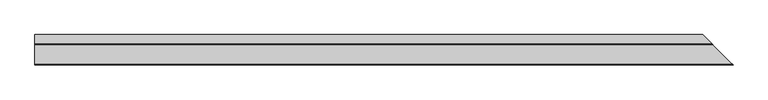
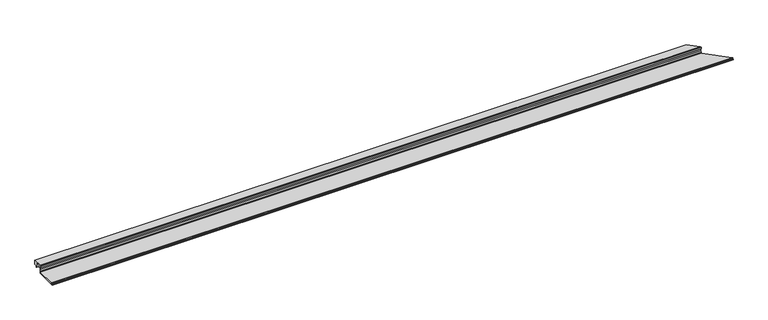
"""IFC4 building model written with IfcOpenShell, lengths in millimetres: proxy geometry."""

from ifc_helpers import new_model, si_unit, frame, origin, place, context, project, spatial, polyline, circle_curve, ellipse_curve, faceted_brep, source, transform, mapped, element, save
from ifc_brep_helpers import plane_surface, cylinder_surface, revolved_surface, advanced_brep


def specialty_equipment_78b1ac0e(model_context):
    return source(origin(), model_context, "Body", "SolidModel", [
        faceted_brep([(0.0, 165.632524, 63.5), (0.0, 235.482524, 63.5), (0.0, 235.482524, 31.75), (0.0, 215.241899, 31.75), (0.0, 215.241899, 19.05), (0.0, 212.9598677, 19.05), (0.0, 212.9598677, 61.1898306), (0.0, 175.284524, 61.1898306), (0.0, 175.284524, 44.45), (0.0, 165.632524, 44.45), (5153.2319168, 235.482524, 63.5), (5223.0819168, 165.632524, 63.5), (5223.0819168, 165.632524, 44.45), (5213.4299168, 175.284524, 44.45), (5213.4299168, 175.284524, 61.1898306), (5175.7545731, 212.9598677, 61.1898306), (5175.7545731, 212.9598677, 19.05), (5173.4725418, 215.241899, 19.05), (5173.4725418, 215.241899, 31.75), (5153.2319168, 235.482524, 31.75)], [[[0, 1, 2, 3, 4, 5, 6, 7, 8, 9]], [[10, 11, 12, 13, 14, 15, 16, 17, 18, 19]], [[10, 1, 0, 11]], [[11, 0, 9, 12]], [[12, 9, 8, 13]], [[13, 8, 7, 14]], [[14, 7, 6, 15]], [[15, 6, 5, 16]], [[16, 5, 4, 17]], [[17, 4, 3, 18]], [[18, 3, 2, 19]], [[1, 10, 19, 2]]]),
        advanced_brep(
        [(0.0, 165.632524, 0.0), (0.0, 0.0, 0.0), (0.0, 0.0, 1.651), (0.0, 8.368424, 1.7970714), (0.0, 8.368424, 9.7466904), (0.0, 7.805541, 10.3095735), (0.0, 1.0402986, 10.3095735), (0.0, 0.5832573, 11.0269846), (0.0, 2.843924, 15.875), (0.0, 5.206124, 15.875), (0.0, 5.206124, 12.7), (0.0, 159.282524, 12.7), (0.0, 159.282524, 19.05), (0.0, 163.346524, 31.75), (0.0, 163.346524, 46.0298451), (0.0, 158.495124, 48.3942822), (0.0, 158.495124, 63.5), (0.0, 165.632524, 63.5), (5388.7144408, 0.0, 0.0), (5223.0819168, 165.632524, 0.0), (5223.0819168, 165.632524, 63.5), (5230.2193168, 158.495124, 63.5), (5230.2193168, 158.495124, 48.3942822), (5225.3679168, 163.346524, 46.0298451), (5225.3679168, 163.346524, 31.75), (5229.4319168, 159.282524, 19.05), (5229.4319168, 159.282524, 12.7), (5383.5083168, 5.206124, 12.7), (5383.5083168, 5.206124, 15.875), (5385.8705168, 2.843924, 15.875), (5388.1311835, 0.5832573, 11.0269846), (5387.6741422, 1.0402986, 10.3095735), (5380.9088998, 7.805541, 10.3095735), (5380.3460168, 8.368424, 9.7466904), (5380.3460168, 8.368424, 1.7970714), (5388.7144408, 0.0, 1.651)],
        [
            (0, 1),
            (1, 2),
            (2, 3),
            (3, 4),
            (4, 5, circle_curve(frame((0.0, 7.805541, 9.7466904), z_axis=(1.0, 0.0, 0.0), x_axis=(0.0, 1.0, 0.0)), 0.562883)),
            (5, 6),
            (6, 7, circle_curve(frame((0.0, 1.0402986, 10.8138628), z_axis=(-1.0, 0.0, 0.0), x_axis=(0.0, 1.0, 0.0)), 0.5042893)),
            (7, 8),
            (8, 9),
            (9, 10),
            (10, 11),
            (11, 12),
            (12, 13),
            (13, 14),
            (14, 15),
            (15, 16),
            (16, 17),
            (17, 0),
            (18, 19),
            (19, 20),
            (20, 21),
            (21, 22),
            (22, 23),
            (23, 24),
            (24, 25),
            (25, 26),
            (26, 27),
            (27, 28),
            (28, 29),
            (29, 30),
            (30, 31, ellipse_curve(frame((5387.6741422, 1.0402986, 10.8138628), z_axis=(0.7071067811865488, 0.7071067811865464, 0.0), x_axis=(-0.7071067811865461, 0.7071067811865488, 0.0)), 0.7131728, 0.5042893)),
            (31, 32),
            (32, 33, ellipse_curve(frame((5380.9088998, 7.805541, 9.7466904), z_axis=(-0.7071067811865488, -0.7071067811865464, 0.0), x_axis=(0.7071067811865461, -0.7071067811865488, 0.0)), 0.7960368, 0.562883)),
            (33, 34),
            (34, 35),
            (35, 18),
            (0, 19),
            (18, 1),
            (35, 2),
            (34, 3),
            (33, 4),
            (32, 5),
            (31, 6),
            (30, 7),
            (29, 8),
            (28, 9),
            (27, 10),
            (26, 11),
            (25, 12),
            (24, 13),
            (23, 14),
            (22, 15),
            (21, 16),
            (20, 17),
        ],
        [
            plane_surface(frame((0.0, 0.0, 304.8), z_axis=(-1.0, 0.0, 0.0), x_axis=(0.0, 0.0, -1.0))),
            plane_surface(frame((4880.7144408, 508.0, 304.8), z_axis=(0.7071067811865488, 0.7071067811865464, 0.0), x_axis=(0.0, 0.0, -1.0))),
            plane_surface(frame((-406.4, 165.632524, 0.0), z_axis=(0.0, 0.0, -1.0), x_axis=(1.0, 0.0, 0.0))),
            plane_surface(frame((-406.4, 0.0, 0.0), z_axis=(0.0, -1.0, 0.0), x_axis=(1.0, 0.0, 0.0))),
            plane_surface(frame((-406.4, 0.0, 1.651), z_axis=(0.0, -0.01745240643728535, 0.9998476951563913), x_axis=(1.0, 0.0, 0.0))),
            plane_surface(frame((-406.4, 8.368424, 1.7970714), z_axis=(0.0, -1.0, 0.0), x_axis=(1.0, 0.0, 0.0))),
            revolved_surface(polyline([(5381.471782819353, 8.368424, 9.7466904), (0.0, 8.368424, 9.7466904)]), (-406.4, 7.805541, 9.7466904), (1.0, 0.0, 0.0)),
            plane_surface(frame((-406.4, 7.805541, 10.3095735), z_axis=(0.0, 0.0, -1.0), x_axis=(1.0, 0.0, 0.0))),
            cylinder_surface(frame((-406.4, 1.0402986, 10.8138628), z_axis=(-1.0, 0.0, 0.0), x_axis=(0.0, 1.0, 0.0)), 0.5042893),
            plane_surface(frame((-406.4, 0.5832573, 11.0269846), z_axis=(0.0, -0.9063077870366325, 0.4226182617407369), x_axis=(1.0, 0.0, 0.0))),
            plane_surface(frame((-406.4, 2.843924, 15.875), z_axis=(0.0, 0.0, 1.0), x_axis=(1.0, 0.0, 0.0))),
            plane_surface(frame((-406.4, 5.206124, 15.875), z_axis=(0.0, 1.0, 0.0), x_axis=(1.0, 0.0, 0.0))),
            plane_surface(frame((-406.4, 5.206124, 12.7), z_axis=(0.0, 0.0, 1.0), x_axis=(1.0, 0.0, 0.0))),
            plane_surface(frame((-406.4, 159.282524, 12.7), z_axis=(0.0, -1.0, 0.0), x_axis=(1.0, 0.0, 0.0))),
            plane_surface(frame((-406.4, 159.282524, 19.05), z_axis=(0.0, -0.9524241471993259, 0.3047757271037786), x_axis=(1.0, 0.0, 0.0))),
            plane_surface(frame((-406.4, 163.346524, 31.75), z_axis=(0.0, -1.0, 0.0), x_axis=(1.0, 0.0, 0.0))),
            plane_surface(frame((-406.4, 163.346524, 46.0298451), z_axis=(0.0, -0.4381093610951833, -0.8989216805266022), x_axis=(1.0, 0.0, 0.0))),
            plane_surface(frame((-406.4, 158.495124, 48.3942822), z_axis=(0.0, -1.0, 0.0), x_axis=(1.0, 0.0, 0.0))),
            plane_surface(frame((-406.4, 158.495124, 63.5), z_axis=(0.0, 0.0, 1.0), x_axis=(1.0, 0.0, 0.0))),
            plane_surface(frame((-406.4, 165.632524, 63.5), z_axis=(0.0, 1.0, 0.0), x_axis=(1.0, 0.0, 0.0))),
        ],
        [
            (0, [[1, 2, 3, 4, 5, 6, 7, 8, 9, 10, 11, 12, 13, 14, 15, 16, 17, 18]]),
            (1, [[19, 20, 21, 22, 23, 24, 25, 26, 27, 28, 29, 30, 31, 32, 33, 34, 35, 36]]),
            (2, [[37, -19, 38, -1]]),
            (3, [[-38, -36, 39, -2]]),
            (4, [[-39, -35, 40, -3]]),
            (5, [[-40, -34, 41, -4]]),
            (6, [[-41, -33, 42, -5]]),
            (7, [[-42, -32, 43, -6]]),
            (8, [[-43, -31, 44, -7]]),
            (9, [[-44, -30, 45, -8]]),
            (10, [[-45, -29, 46, -9]]),
            (11, [[-46, -28, 47, -10]]),
            (12, [[-47, -27, 48, -11]]),
            (13, [[-48, -26, 49, -12]]),
            (14, [[-49, -25, 50, -13]]),
            (15, [[-50, -24, 51, -14]]),
            (16, [[-51, -23, 52, -15]]),
            (17, [[-52, -22, 53, -16]]),
            (18, [[-53, -21, 54, -17]]),
            (19, [[-37, -18, -54, -20]]),
        ],
    ),
    ])


if __name__ == "__main__":
    model = new_model("IFC4")
    model_context = context("Model", 3, world=origin())
    ifc_project = project(units=[si_unit("LENGTHUNIT", "METRE", prefix="MILLI")], contexts=[model_context])
    site = spatial("IfcSite", under=ifc_project)
    building = spatial("IfcBuilding", under=site)
    placement = place(None, origin())
    specialty_equipment_shape = specialty_equipment_78b1ac0e(model_context)
    element("IfcBuildingElementProxy", 1, Name="Specialty Equipment", at=placement, inside=building, context=model_context, shape_type="MappedRepresentation", body=[
        mapped(specialty_equipment_shape, transform((0.0, 0.0, 0.0), x_axis=(1.0, 0.0, 0.0), y_axis=(0.0, 1.0, 0.0), z_axis=(0.0, 0.0, 1.0))),
    ])
    save(model, "model.ifc")
